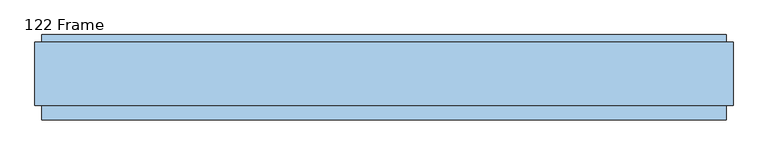
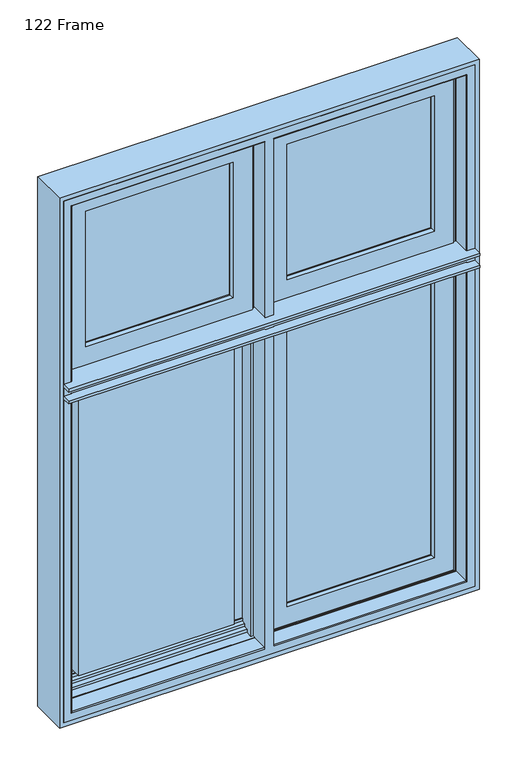
"""IFC4 building model written with IfcOpenShell, lengths in millimetres: window geometry, 122 Frame."""

from ifc_helpers import new_model, si_unit, frame, origin, place, context, project, spatial, polyline, circle_curve, ellipse_curve, outline, extrude, faceted_brep, source, transform, mapped, element, save
from ifc_brep_helpers import plane_surface, cylinder_surface, advanced_brep


def window_122_frame_a03ada84(model_context):
    return source(origin(), model_context, "Body", "SolidModel", [
        extrude(outline(polyline([(-510.0, 141.0), (-65.6, 141.0), (-65.6, 93.0), (-510.0, 93.0), (-510.0, 141.0)])), frame((0.0, 0.0, 1878.0), z_axis=(0.0, 0.0, 1.0), x_axis=(1.0, 0.0, 0.0)), (0.0, 0.0, 1.0), 432.0),
        faceted_brep([(-532.3998467, 153.0, 2332.3998467), (-532.3998467, 148.4070391, 2332.3998467), (-43.2001533, 148.4070391, 2332.3998467), (-43.2001533, 153.0, 2332.3998467), (-43.2001533, 148.4070391, 1855.2001533), (-43.2001533, 153.0, 1855.2001533), (-37.9260611, 139.5531262, 2337.6739389), (-37.9260611, 139.5531262, 1849.9260611), (-532.3998467, 153.0, 1855.2001533), (-76.3433832, 153.0, 2299.2566168), (-499.2566168, 153.0, 2299.2566168), (-499.2566168, 153.0, 1888.3433832), (-76.3433832, 153.0, 1888.3433832), (-537.6739389, 139.5531262, 2337.6739389), (-36.0866045, 139.5531262, 1848.0866045), (-539.5133955, 139.5531262, 1848.0866045), (-539.5133955, 139.5531262, 2339.5133955), (-36.0866045, 139.5531262, 2339.5133955), (-537.6739389, 139.5531262, 1849.9260611), (-539.5133955, 121.0, 2339.5133955), (-36.0866045, 121.0, 2339.5133955), (-36.0866045, 121.0, 1848.0866045), (-26.0866045, 121.0, 1838.0866045), (-549.5133955, 121.0, 1838.0866045), (-549.5133955, 121.0, 2349.5133955), (-26.0866045, 121.0, 2349.5133955), (-539.5133955, 121.0, 1848.0866045), (-549.5133955, 88.5, 2349.5133955), (-26.0866045, 88.5, 2349.5133955), (-26.0866045, 88.5, 1838.0866045), (-15.3023, 88.5, 1827.3023), (-560.2977, 88.5, 1827.3023), (-560.2977, 88.5, 2360.2977), (-15.3023, 88.5, 2360.2977), (-549.5133955, 88.5, 1838.0866045), (-560.2977, 83.5, 2360.2977), (-15.3023, 83.5, 2360.2977), (-15.3023, 83.5, 1827.3023), (-560.2977, 83.5, 1827.3023), (-22.1, 83.5, 1834.1), (-553.5, 83.5, 1834.1), (-553.5, 83.5, 2353.5), (-22.1, 83.5, 2353.5), (-553.5, 78.0, 2353.5), (-22.1, 78.0, 2353.5), (-22.1, 78.0, 1834.1), (-553.5, 78.0, 1834.1), (-77.2842184, 78.0, 1889.2842184), (-498.3157816, 78.0, 1889.2842184), (-498.3157816, 78.0, 2298.3157816), (-77.2842184, 78.0, 2298.3157816), (-510.0, 93.0, 2310.0), (-510.0, 141.0, 2310.0), (-65.6, 141.0, 2310.0), (-65.6, 93.0, 2310.0), (-65.6, 141.0, 1877.6), (-65.6, 93.0, 1877.6), (-510.0, 141.0, 1877.6), (-80.0121514, 141.0, 1892.0121514), (-495.5878486, 141.0, 1892.0121514), (-495.5878486, 141.0, 2295.5878486), (-80.0121514, 141.0, 2295.5878486), (-510.0, 93.0, 1877.6), (-79.5996933, 93.0, 2296.0003067), (-496.0003067, 93.0, 2296.0003067), (-496.0003067, 93.0, 1891.5996933), (-79.5996933, 93.0, 1891.5996933), (-532.3998467, 148.4070391, 1855.2001533), (-79.5996933, 88.8934531, 2296.0003067), (-79.5996933, 88.8934531, 1891.5996933), (-496.0003067, 88.8934531, 1891.5996933), (-496.0003067, 88.8934531, 2296.0003067)], [[[0, 1, 2, 3]], [[3, 2, 4, 5]], [[2, 6, 7, 4]], [[5, 8, 0, 3], [9, 10, 11, 12]], [[1, 13, 6, 2]], [[14, 15, 16, 17], [6, 13, 18, 7]], [[16, 19, 20, 17]], [[17, 20, 21, 14]], [[22, 23, 24, 25], [20, 19, 26, 21]], [[24, 27, 28, 25]], [[25, 28, 29, 22]], [[30, 31, 32, 33], [28, 27, 34, 29]], [[32, 35, 36, 33]], [[33, 36, 37, 30]], [[36, 35, 38, 37], [39, 40, 41, 42]], [[41, 43, 44, 42]], [[42, 44, 45, 39]], [[44, 43, 46, 45], [47, 48, 49, 50]], [[51, 52, 53, 54]], [[54, 53, 55, 56]], [[53, 52, 57, 55], [58, 59, 60, 61]], [[56, 62, 51, 54], [63, 64, 65, 66]], [[8, 67, 1, 0]], [[67, 18, 13, 1]], [[15, 26, 19, 16]], [[23, 34, 27, 24]], [[31, 38, 35, 32]], [[40, 46, 43, 41]], [[62, 57, 52, 51]], [[50, 68, 69, 47]], [[68, 63, 66, 69]], [[61, 9, 12, 58]], [[5, 4, 67, 8]], [[4, 7, 18, 67]], [[14, 21, 26, 15]], [[22, 29, 34, 23]], [[30, 37, 38, 31]], [[39, 45, 46, 40]], [[47, 69, 70, 48]], [[69, 66, 65, 70]], [[56, 55, 57, 62]], [[58, 12, 11, 59]], [[48, 70, 71, 49]], [[70, 65, 64, 71]], [[59, 11, 10, 60]], [[49, 71, 68, 50]], [[71, 64, 63, 68]], [[60, 10, 9, 61]]]),
        extrude(outline(polyline([(65.6, 141.0), (510.0, 141.0), (510.0, 93.0), (65.6, 93.0), (65.6, 141.0)])), frame((0.0, 0.0, 1877.6), z_axis=(0.0, 0.0, 1.0), x_axis=(1.0, 0.0, 0.0)), (0.0, 0.0, 1.0), 432.4),
        faceted_brep([(532.3998467, 148.4070391, 2332.3998467), (532.3998467, 153.0, 2332.3998467), (43.2001533, 153.0, 2332.3998467), (43.2001533, 148.4070391, 2332.3998467), (43.2001533, 153.0, 1855.2001533), (43.2001533, 148.4070391, 1855.2001533), (532.3998467, 153.0, 1855.2001533), (76.3433832, 153.0, 1888.3433832), (499.2566168, 153.0, 1888.3433832), (499.2566168, 153.0, 2299.2566168), (76.3433832, 153.0, 2299.2566168), (37.9260611, 139.5531262, 2337.6739389), (37.9260611, 139.5531262, 1849.9260611), (537.6739389, 139.5531262, 2337.6739389), (36.0866045, 139.5531262, 2339.5133955), (539.5133955, 139.5531262, 2339.5133955), (539.5133955, 139.5531262, 1848.0866045), (36.0866045, 139.5531262, 1848.0866045), (537.6739389, 139.5531262, 1849.9260611), (539.5133955, 121.0, 2339.5133955), (36.0866045, 121.0, 2339.5133955), (36.0866045, 121.0, 1848.0866045), (26.0866045, 121.0, 2349.5133955), (549.5133955, 121.0, 2349.5133955), (549.5133955, 121.0, 1838.0866045), (26.0866045, 121.0, 1838.0866045), (539.5133955, 121.0, 1848.0866045), (549.5133955, 88.5, 2349.5133955), (26.0866045, 88.5, 2349.5133955), (26.0866045, 88.5, 1838.0866045), (15.3023, 88.5, 2360.2977), (560.2976999, 88.5, 2360.2977), (560.2976999, 88.5, 1827.3023), (15.3023, 88.5, 1827.3023), (549.5133955, 88.5, 1838.0866045), (560.2976999, 83.5, 2360.2977), (15.3023, 83.5, 2360.2977), (15.3023, 83.5, 1827.3023), (560.2976999, 83.5, 1827.3023), (22.1, 83.5, 2353.5), (553.5, 83.5, 2353.5), (553.5, 83.5, 1834.1), (22.1, 83.5, 1834.1), (553.5, 78.0, 2353.5), (22.1, 78.0, 2353.5), (22.1, 78.0, 1834.1), (553.5, 78.0, 1834.1), (77.2842184, 78.0, 2298.3157816), (498.3157816, 78.0, 2298.3157816), (498.3157816, 78.0, 1889.2842184), (77.2842184, 78.0, 1889.2842184), (510.0, 141.0, 2310.0), (510.0, 93.0, 2310.0), (65.6, 93.0, 2310.0), (65.6, 141.0, 2310.0), (65.6, 93.0, 1877.6), (65.6, 141.0, 1877.6), (510.0, 93.0, 1877.6), (79.5996933, 93.0, 1891.5996933), (496.0003067, 93.0, 1891.5996933), (496.0003067, 93.0, 2296.0003067), (79.5996933, 93.0, 2296.0003067), (510.0, 141.0, 1877.6), (80.0121514, 141.0, 2295.5878486), (495.5878486, 141.0, 2295.5878486), (495.5878486, 141.0, 1892.0121514), (80.0121514, 141.0, 1892.0121514), (532.3998467, 148.4070391, 1855.2001533), (79.5996933, 88.8934531, 2296.0003067), (79.5996933, 88.8934531, 1891.5996933), (496.0003067, 88.8934531, 1891.5996933), (496.0003067, 88.8934531, 2296.0003067)], [[[0, 1, 2, 3]], [[3, 2, 4, 5]], [[2, 1, 6, 4], [7, 8, 9, 10]], [[11, 3, 5, 12]], [[13, 0, 3, 11]], [[14, 15, 16, 17], [12, 18, 13, 11]], [[19, 15, 14, 20]], [[20, 14, 17, 21]], [[22, 23, 24, 25], [21, 26, 19, 20]], [[27, 23, 22, 28]], [[28, 22, 25, 29]], [[30, 31, 32, 33], [29, 34, 27, 28]], [[35, 31, 30, 36]], [[36, 30, 33, 37]], [[37, 38, 35, 36], [39, 40, 41, 42]], [[43, 40, 39, 44]], [[44, 39, 42, 45]], [[45, 46, 43, 44], [47, 48, 49, 50]], [[51, 52, 53, 54]], [[54, 53, 55, 56]], [[53, 52, 57, 55], [58, 59, 60, 61]], [[56, 62, 51, 54], [63, 64, 65, 66]], [[67, 6, 1, 0]], [[18, 67, 0, 13]], [[26, 16, 15, 19]], [[34, 24, 23, 27]], [[38, 32, 31, 35]], [[46, 41, 40, 43]], [[62, 57, 52, 51]], [[68, 47, 50, 69]], [[61, 68, 69, 58]], [[10, 63, 66, 7]], [[5, 4, 6, 67]], [[12, 5, 67, 18]], [[21, 17, 16, 26]], [[29, 25, 24, 34]], [[37, 33, 32, 38]], [[45, 42, 41, 46]], [[69, 50, 49, 70]], [[58, 69, 70, 59]], [[56, 55, 57, 62]], [[7, 66, 65, 8]], [[70, 49, 48, 71]], [[59, 70, 71, 60]], [[8, 65, 64, 9]], [[71, 48, 47, 68]], [[60, 71, 68, 61]], [[9, 64, 63, 10]]]),
        advanced_brep(
        [(-564.0, 35.0, 836.0), (-564.0, 83.0, 836.0), (-564.0, 83.0, 1789.9000002), (-564.0, 35.0, 1789.9000002), (-564.0, 83.0, 2364.0), (-564.0, 35.0, 2364.0), (-564.0, 35.0, 1834.0999998), (-564.0, 83.0, 1834.0999998), (-564.0, 35.0, 1800.0), (-564.0, 35.0, 1798.0), (-564.0, 83.0, 1798.0), (-564.0, 83.0, 1800.0), (-564.0, 35.0, 1826.0), (-564.0, 35.0, 1824.0), (-564.0, 83.0, 1824.0), (-564.0, 83.0, 1826.0), (-12.0, 35.0, 836.0), (-12.0, 83.0, 836.0), (564.0, 35.0, 836.0), (564.0, 83.0, 836.0), (12.0, 83.0, 836.0), (12.0, 35.0, 836.0), (-12.0, 83.0, 838.0), (-562.0, 83.0, 838.0), (-562.0, 83.0, 1789.9000002), (562.0, 83.0, 838.0), (12.0, 83.0, 838.0), (564.0, 83.0, 1789.9000002), (562.0, 83.0, 1789.9000002), (-12.0, 83.0, 2364.0), (-562.0, 83.0, 1834.0999998), (-562.0, 83.0, 2362.0), (-12.0, 83.0, 2362.0), (564.0, 83.0, 2364.0), (12.0, 83.0, 2364.0), (12.0, 83.0, 2362.0), (562.0, 83.0, 2362.0), (562.0, 83.0, 1834.0999998), (564.0, 83.0, 1834.0999998), (-12.0, 83.0, 1798.0), (-12.0, 83.0, 1800.0), (-12.0, 83.0, 1824.0), (-12.0, 83.0, 1826.0), (564.0, 83.0, 1798.0), (564.0, 83.0, 1800.0), (12.0, 83.0, 1800.0), (12.0, 83.0, 1798.0), (564.0, 83.0, 1824.0), (564.0, 83.0, 1826.0), (12.0, 83.0, 1826.0), (12.0, 83.0, 1824.0), (-567.0, 32.0, 833.0), (-567.0, 32.0, 1789.9000002), (-567.0, 32.0, 2367.0), (-567.0, 32.0, 1834.0999998), (-567.0, 32.0, 1800.0), (-567.0, 32.0, 1798.0), (-567.0, 32.0, 1826.0), (-567.0, 32.0, 1824.0), (-562.0, 111.4, 838.0), (-562.0, 111.4, 1789.9000002), (-562.0, 111.4, 2362.0), (-562.0, 111.4, 1834.0999998), (-12.0, 91.0, 838.0), (-20.2, 91.0, 838.0), (-17.695195, 111.4, 838.0), (562.0, 111.4, 838.0), (17.695195, 111.4, 838.0), (20.2, 91.0, 838.0), (12.0, 91.0, 838.0), (-17.695195, 111.4, 846.0999998), (-553.9000002, 111.4, 846.0999998), (-553.9000002, 111.4, 1789.9000002), (553.9000002, 111.4, 846.0999998), (17.695195, 111.4, 846.0999998), (562.0, 111.4, 1789.9000002), (553.9000002, 111.4, 1789.9000002), (-17.695195, 111.4, 2362.0), (-553.9000002, 111.4, 1834.0999998), (-553.9000002, 111.4, 2353.9000002), (-17.695195, 111.4, 2353.9000002), (562.0, 111.4, 2362.0), (17.695195, 111.4, 2362.0), (17.695195, 111.4, 2353.9000002), (553.9000002, 111.4, 2353.9000002), (553.9000002, 111.4, 1834.0999998), (562.0, 111.4, 1834.0999998), (-553.9000002, 126.0, 846.0999998), (-553.9000002, 126.0, 1789.9000002), (-553.9000002, 126.0, 1834.0999998), (-553.9000002, 126.0, 2353.9000002), (-15.9025404, 126.0, 846.0999998), (553.9000002, 126.0, 846.0999998), (15.9025404, 126.0, 846.0999998), (-15.9025404, 126.0, 853.2798057), (-546.7201943, 126.0, 853.2798057), (-546.7201943, 126.0, 1780.4), (-15.9025404, 126.0, 1780.4), (-15.9025404, 126.0, 1789.9000002), (546.7201943, 126.0, 853.2798057), (15.9025404, 126.0, 853.2798057), (553.9000002, 126.0, 1789.9000002), (15.9025404, 126.0, 1789.9000002), (15.9025404, 126.0, 1780.4), (546.7201943, 126.0, 1780.4), (-15.9025404, 126.0, 2353.9000002), (-15.9025404, 126.0, 1834.0999998), (-15.9025404, 126.0, 1843.6), (-546.7201943, 126.0, 1843.6), (-546.7201943, 126.0, 2346.7201943), (-15.9025404, 126.0, 2346.7201943), (553.9000002, 126.0, 2353.9000002), (15.9025404, 126.0, 2353.9000002), (15.9025404, 126.0, 2346.7201943), (546.7201943, 126.0, 2346.7201943), (546.7201943, 126.0, 1843.6), (15.9025404, 126.0, 1843.6), (15.9025404, 126.0, 1834.0999998), (553.9000002, 126.0, 1834.0999998), (-546.7201943, 140.2372876, 853.2798057), (-546.7201943, 140.2372876, 1780.4), (-546.7201943, 140.2372876, 2346.7201943), (-546.7201943, 140.2372876, 1843.6), (-14.1544213, 140.2372876, 853.2798057), (546.7201943, 140.2372876, 853.2798057), (14.1544213, 140.2372876, 853.2798057), (-14.1544213, 140.2372876, 861.9868914), (-538.0131086, 140.2372876, 861.9868914), (-538.0131086, 140.2372876, 1780.4), (538.0131086, 140.2372876, 861.9868914), (14.1544213, 140.2372876, 861.9868914), (546.7201943, 140.2372876, 1780.4), (538.0131086, 140.2372876, 1780.4), (-14.1544213, 140.2372876, 2346.7201943), (-538.0131086, 140.2372876, 1843.6), (-538.0131086, 140.2372876, 2338.0131086), (-14.1544213, 140.2372876, 2338.0131086), (546.7201943, 140.2372876, 2346.7201943), (14.1544213, 140.2372876, 2346.7201943), (14.1544213, 140.2372876, 2338.0131086), (538.0131086, 140.2372876, 2338.0131086), (538.0131086, 140.2372876, 1843.6), (546.7201943, 140.2372876, 1843.6), (-538.0131086, 143.3877115, 861.9868914), (-538.0131086, 143.3877115, 1774.0131086), (-538.0131086, 141.0, 1774.0131086), (-538.0131086, 141.0, 1780.4), (-538.0131086, 143.3877115, 2338.0131086), (-538.0131086, 141.0, 1843.6), (-538.0131086, 141.0, 1849.9868914), (-538.0131086, 143.3877115, 1849.9868914), (-13.9379874, 142.0, 861.9868914), (-38.4111574, 142.0, 861.9868914), (-37.9868914, 143.3877115, 861.9868914), (538.0131086, 143.3877115, 861.9868914), (37.9868914, 143.3877115, 861.9868914), (38.4111574, 142.0, 861.9868914), (13.9379874, 142.0, 861.9868914), (-541.2576108, 154.0, 858.7423892), (-541.2576108, 154.0, 1777.2576108), (-541.2576108, 154.0, 2341.2576108), (-541.2576108, 154.0, 1846.7423892), (-34.7423892, 154.0, 858.7423892), (541.2576108, 154.0, 858.7423892), (34.7423892, 154.0, 858.7423892), (588.0, 154.0, 2388.0), (588.0, 154.0, 812.0), (-588.0, 154.0, 812.0), (-588.0, 154.0, 2388.0), (-34.7423892, 154.0, 1777.2576108), (541.2576108, 154.0, 1777.2576108), (34.7423892, 154.0, 1777.2576108), (-34.7423892, 154.0, 1846.7423892), (-34.7423892, 154.0, 2341.2576108), (34.7423892, 154.0, 2341.2576108), (34.7423892, 154.0, 1846.7423892), (541.2576108, 154.0, 1846.7423892), (541.2576108, 154.0, 2341.2576108), (-588.0, 7.4, 1826.0), (-588.0, 7.4, 1834.0999998), (-588.0, 32.0, 1834.0999998), (-588.0, 32.0, 2388.0), (-588.0, 86.5, 2388.0), (-588.0, 86.5, 1834.0999998), (-588.0, 90.5, 1834.0999998), (-588.0, 90.5, 2388.0), (-588.0, 90.5, 812.0), (-588.0, 90.5, 1789.9000002), (-588.0, 86.5, 1789.9000002), (-588.0, 86.5, 812.0), (-588.0, 32.0, 812.0), (-588.0, 32.0, 1789.9000002), (-588.0, 7.4, 1789.9000002), (-588.0, 7.4, 1798.0), (-588.0, 32.0, 1798.0), (-588.0, 32.0, 1826.0), (588.0, 90.5, 812.0), (12.0, 90.5, 812.0), (12.0, 86.5, 812.0), (588.0, 86.5, 812.0), (588.0, 32.0, 812.0), (-12.0, 86.5, 812.0), (-12.0, 90.5, 812.0), (-12.0, 90.5, 819.0), (-581.0, 90.5, 819.0), (-581.0, 90.5, 1789.9000002), (581.0, 90.5, 819.0), (12.0, 90.5, 819.0), (588.0, 90.5, 1789.9000002), (581.0, 90.5, 1789.9000002), (-12.0, 90.5, 2388.0), (-581.0, 90.5, 1834.0999998), (-581.0, 90.5, 2381.0), (-12.0, 90.5, 2381.0), (588.0, 90.5, 2388.0), (12.0, 90.5, 2388.0), (12.0, 90.5, 2381.0), (581.0, 90.5, 2381.0), (581.0, 90.5, 1834.0999998), (588.0, 90.5, 1834.0999998), (12.0, 86.5, 819.0), (581.0, 86.5, 819.0), (581.0, 86.5, 1789.9000002), (588.0, 86.5, 1789.9000002), (-581.0, 86.5, 1789.9000002), (-581.0, 86.5, 819.0), (-12.0, 86.5, 819.0), (-12.0, 86.5, 2381.0), (-581.0, 86.5, 2381.0), (-581.0, 86.5, 1834.0999998), (-12.0, 86.5, 2388.0), (581.0, 86.5, 2381.0), (12.0, 86.5, 2381.0), (12.0, 86.5, 2388.0), (588.0, 86.5, 2388.0), (588.0, 86.5, 1834.0999998), (581.0, 86.5, 1834.0999998), (-12.0, 32.0, 833.0), (588.0, 32.0, 1789.9000002), (567.0, 32.0, 1789.9000002), (567.0, 32.0, 833.0), (12.0, 32.0, 833.0), (12.0, 32.0, 1789.9000002), (-12.0, 32.0, 1789.9000002), (-12.0, 32.0, 2367.0), (-12.0, 32.0, 1834.0999998), (12.0, 32.0, 1834.0999998), (12.0, 32.0, 2367.0), (567.0, 32.0, 2367.0), (567.0, 32.0, 1834.0999998), (588.0, 32.0, 1834.0999998), (588.0, 32.0, 2388.0), (-12.0, 32.0, 1800.0), (-12.0, 32.0, 1798.0), (12.0, 32.0, 1798.0), (12.0, 32.0, 1800.0), (567.0, 32.0, 1800.0), (567.0, 32.0, 1798.0), (588.0, 32.0, 1798.0), (588.0, 32.0, 1826.0), (567.0, 32.0, 1826.0), (567.0, 32.0, 1824.0), (12.0, 32.0, 1824.0), (12.0, 32.0, 1826.0), (-12.0, 32.0, 1826.0), (-12.0, 32.0, 1824.0), (-12.0, 91.0, 1789.9000002), (-12.0, 35.0, 2364.0), (-12.0, 91.0, 2362.0), (-12.0, 91.0, 1834.0999998), (564.0, 35.0, 1789.9000002), (564.0, 35.0, 2364.0), (564.0, 35.0, 1834.0999998), (564.0, 35.0, 1798.0), (564.0, 35.0, 1800.0), (564.0, 35.0, 1824.0), (564.0, 35.0, 1826.0), (12.0, 91.0, 1789.9000002), (12.0, 35.0, 2364.0), (12.0, 91.0, 1834.0999998), (12.0, 91.0, 2362.0), (-20.2, 91.0, 1789.9000002), (-20.2, 91.0, 2362.0), (-20.2, 91.0, 1834.0999998), (-14.060772, 141.0, 1780.4), (-14.060772, 141.0, 1774.0131086), (-13.9379874, 142.0, 1774.0131086), (-13.9379874, 142.0, 2338.0131086), (-13.9379874, 142.0, 1849.9868914), (-14.060772, 141.0, 1849.9868914), (-14.060772, 141.0, 1843.6), (13.9379874, 142.0, 1774.0131086), (14.060772, 141.0, 1774.0131086), (14.060772, 141.0, 1780.4), (20.2, 91.0, 1789.9000002), (20.2, 91.0, 2362.0), (20.2, 91.0, 1834.0999998), (14.060772, 141.0, 1843.6), (14.060772, 141.0, 1849.9868914), (13.9379874, 142.0, 1849.9868914), (13.9379874, 142.0, 2338.0131086), (-38.4111574, 142.0, 1774.0131086), (-38.4111574, 142.0, 2338.0131086), (-38.4111574, 142.0, 1849.9868914), (-37.9868914, 143.3877115, 1774.0131086), (-37.9868914, 143.3877115, 2338.0131086), (-37.9868914, 143.3877115, 1849.9868914), (538.0131086, 141.0, 1780.4), (538.0131086, 141.0, 1774.0131086), (538.0131086, 143.3877115, 1774.0131086), (538.0131086, 143.3877115, 2338.0131086), (538.0131086, 143.3877115, 1849.9868914), (538.0131086, 141.0, 1849.9868914), (538.0131086, 141.0, 1843.6), (37.9868914, 143.3877115, 1774.0131086), (38.4111574, 142.0, 1774.0131086), (37.9868914, 143.3877115, 2338.0131086), (38.4111574, 142.0, 2338.0131086), (38.4111574, 142.0, 1849.9868914), (37.9868914, 143.3877115, 1849.9868914), (588.0, 7.4, 1798.0), (588.0, 7.4, 1789.9000002), (588.0, 7.4, 1834.0999998), (588.0, 7.4, 1826.0)],
        [
            (0, 1),
            (1, 2),
            (2, 3),
            (3, 0),
            (4, 5),
            (5, 6),
            (6, 7),
            (7, 4),
            (8, 9),
            (9, 10),
            (10, 11),
            (11, 8),
            (12, 13),
            (13, 14),
            (14, 15),
            (15, 12),
            (0, 16),
            (16, 17),
            (17, 1),
            (18, 19),
            (19, 20),
            (20, 21),
            (21, 18),
            (22, 23),
            (23, 24),
            (24, 2),
            (17, 22),
            (25, 26),
            (26, 20),
            (19, 27),
            (27, 28),
            (28, 25),
            (29, 4),
            (7, 30),
            (30, 31),
            (31, 32),
            (32, 29),
            (33, 34),
            (34, 35),
            (35, 36),
            (36, 37),
            (37, 38),
            (38, 33),
            (10, 39),
            (39, 40),
            (40, 11),
            (14, 41),
            (41, 42),
            (42, 15),
            (43, 44),
            (44, 45),
            (45, 46),
            (46, 43),
            (47, 48),
            (48, 49),
            (49, 50),
            (50, 47),
            (51, 0, ellipse_curve(frame((-567.0, 35.0, 833.0), z_axis=(-0.7071067811865475, 0.0, 0.7071067811865475), x_axis=(0.7071067811865474, 0.0, 0.7071067811865476)), 4.2426407, 3.0)),
            (3, 52, circle_curve(frame((-567.0, 35.0, 1789.9000002), z_axis=(0.0, 0.0, -1.0), x_axis=(0.0, 1.0, 0.0)), 3.0)),
            (52, 51),
            (5, 53, ellipse_curve(frame((-567.0, 35.0, 2367.0), z_axis=(-0.7071067811865475, 0.0, -0.7071067811865475), x_axis=(-0.7071067811865474, 0.0, 0.7071067811865476)), 4.2426407, 3.0)),
            (53, 54),
            (54, 6, circle_curve(frame((-567.0, 35.0, 1834.0999998), z_axis=(0.0, 0.0, 1.0), x_axis=(0.0, 1.0, 0.0)), 3.0)),
            (8, 55, circle_curve(frame((-567.0, 35.0, 1800.0), z_axis=(0.0, 0.0, -1.0), x_axis=(0.0, 1.0, 0.0)), 3.0)),
            (55, 56),
            (56, 9, circle_curve(frame((-567.0, 35.0, 1798.0), z_axis=(0.0, 0.0, 1.0), x_axis=(0.0, 1.0, 0.0)), 3.0)),
            (12, 57, circle_curve(frame((-567.0, 35.0, 1826.0), z_axis=(0.0, 0.0, -1.0), x_axis=(0.0, 1.0, 0.0)), 3.0)),
            (57, 58),
            (58, 13, circle_curve(frame((-567.0, 35.0, 1824.0), z_axis=(0.0, 0.0, 1.0), x_axis=(0.0, 1.0, 0.0)), 3.0)),
            (23, 59),
            (59, 60),
            (60, 24),
            (61, 31),
            (30, 62),
            (62, 61),
            (22, 63),
            (63, 64),
            (64, 65),
            (65, 59),
            (25, 66),
            (66, 67),
            (67, 68),
            (68, 69),
            (69, 26),
            (70, 71),
            (71, 72),
            (72, 60),
            (65, 70),
            (73, 74),
            (74, 67),
            (66, 75),
            (75, 76),
            (76, 73),
            (77, 61),
            (62, 78),
            (78, 79),
            (79, 80),
            (80, 77),
            (81, 82),
            (82, 83),
            (83, 84),
            (84, 85),
            (85, 86),
            (86, 81),
            (71, 87),
            (87, 88),
            (88, 72),
            (89, 90),
            (90, 79),
            (78, 89),
            (70, 91),
            (91, 87),
            (73, 92),
            (92, 93),
            (93, 74),
            (94, 95),
            (95, 96),
            (96, 97),
            (97, 98),
            (98, 88),
            (91, 94),
            (99, 100),
            (100, 93),
            (92, 101),
            (101, 102),
            (102, 103),
            (103, 104),
            (104, 99),
            (105, 90),
            (89, 106),
            (106, 107),
            (107, 108),
            (108, 109),
            (109, 110),
            (110, 105),
            (111, 112),
            (112, 113),
            (113, 114),
            (114, 115),
            (115, 116),
            (116, 117),
            (117, 118),
            (118, 111),
            (95, 119),
            (119, 120),
            (120, 96),
            (121, 109),
            (108, 122),
            (122, 121),
            (94, 123),
            (123, 119),
            (99, 124),
            (124, 125),
            (125, 100),
            (126, 127),
            (127, 128),
            (128, 120),
            (123, 126),
            (129, 130),
            (130, 125),
            (124, 131),
            (131, 132),
            (132, 129),
            (133, 121),
            (122, 134),
            (134, 135),
            (135, 136),
            (136, 133),
            (137, 138),
            (138, 139),
            (139, 140),
            (140, 141),
            (141, 142),
            (142, 137),
            (127, 143),
            (143, 144),
            (144, 145),
            (145, 146),
            (146, 128),
            (147, 135),
            (134, 148),
            (148, 149),
            (149, 150),
            (150, 147),
            (126, 151),
            (151, 152),
            (152, 153),
            (153, 143),
            (129, 154),
            (154, 155),
            (155, 156),
            (156, 157),
            (157, 130),
            (143, 158),
            (158, 159),
            (159, 144),
            (160, 147),
            (150, 161),
            (161, 160),
            (153, 162),
            (162, 158),
            (154, 163),
            (163, 164),
            (164, 155),
            (165, 166),
            (166, 167),
            (167, 168),
            (168, 165),
            (162, 169),
            (169, 159),
            (163, 170),
            (170, 171),
            (171, 164),
            (161, 172),
            (172, 173),
            (173, 160),
            (174, 175),
            (175, 176),
            (176, 177),
            (177, 174),
            (178, 179),
            (179, 180),
            (180, 181),
            (181, 182),
            (182, 183),
            (183, 184),
            (184, 185),
            (185, 168),
            (167, 186),
            (186, 187),
            (187, 188),
            (188, 189),
            (189, 190),
            (190, 191),
            (191, 192),
            (192, 193),
            (193, 194),
            (194, 195),
            (195, 178),
            (166, 196),
            (196, 197),
            (197, 198),
            (198, 199),
            (199, 200),
            (200, 190),
            (189, 201),
            (201, 202),
            (202, 186),
            (203, 204),
            (204, 205),
            (205, 187),
            (202, 203),
            (206, 207),
            (207, 197),
            (196, 208),
            (208, 209),
            (209, 206),
            (210, 185),
            (184, 211),
            (211, 212),
            (212, 213),
            (213, 210),
            (214, 215),
            (215, 216),
            (216, 217),
            (217, 218),
            (218, 219),
            (219, 214),
            (198, 220),
            (220, 221),
            (221, 222),
            (222, 223),
            (223, 199),
            (188, 224),
            (224, 225),
            (225, 226),
            (226, 201),
            (227, 228),
            (228, 229),
            (229, 183),
            (182, 230),
            (230, 227),
            (231, 232),
            (232, 233),
            (233, 234),
            (234, 235),
            (235, 236),
            (236, 231),
            (237, 51),
            (52, 191),
            (200, 238),
            (238, 239),
            (239, 240),
            (240, 241),
            (241, 242),
            (242, 243),
            (243, 237),
            (53, 244),
            (244, 245),
            (245, 246),
            (246, 247),
            (247, 248),
            (248, 249),
            (249, 250),
            (250, 251),
            (251, 181),
            (180, 54),
            (55, 252),
            (252, 253),
            (253, 254),
            (254, 255),
            (255, 256),
            (256, 257),
            (257, 258),
            (258, 259),
            (259, 260),
            (260, 261),
            (261, 262),
            (262, 263),
            (263, 264),
            (264, 265),
            (265, 58),
            (57, 195),
            (194, 56),
            (237, 16, circle_curve(frame((-12.0, 35.0, 833.0), z_axis=(-1.0, 0.0, 0.0), x_axis=(0.0, 1.0, 0.0)), 3.0)),
            (240, 18, ellipse_curve(frame((567.0, 35.0, 833.0), z_axis=(-0.7071067811865475, 0.0, -0.7071067811865475), x_axis=(-0.7071067811865476, 0.0, 0.7071067811865474)), 4.2426407, 3.0)),
            (21, 241, circle_curve(frame((12.0, 35.0, 833.0), z_axis=(1.0, 0.0, 0.0), x_axis=(0.0, 1.0, 0.0)), 3.0)),
            (243, 266),
            (266, 63),
            (226, 203),
            (267, 29),
            (32, 268),
            (268, 269),
            (269, 245),
            (244, 267, circle_curve(frame((-12.0, 35.0, 2367.0), z_axis=(1.0, 0.0, 0.0), x_axis=(0.0, 1.0, 0.0)), 3.0)),
            (230, 210),
            (213, 227),
            (252, 40),
            (39, 253),
            (264, 42),
            (41, 265),
            (18, 270),
            (270, 27),
            (271, 33),
            (38, 272),
            (272, 271),
            (273, 274),
            (274, 44),
            (43, 273),
            (275, 276),
            (276, 48),
            (47, 275),
            (69, 277),
            (277, 242),
            (207, 220),
            (34, 278),
            (278, 247, circle_curve(frame((12.0, 35.0, 2367.0), z_axis=(-1.0, 0.0, 0.0), x_axis=(0.0, 1.0, 0.0)), 3.0)),
            (246, 279),
            (279, 280),
            (280, 35),
            (215, 233),
            (232, 216),
            (254, 46),
            (45, 255),
            (262, 50),
            (49, 263),
            (266, 281),
            (281, 64),
            (268, 282),
            (282, 283),
            (283, 269),
            (281, 98),
            (97, 284),
            (284, 285),
            (285, 286),
            (286, 151),
            (282, 77),
            (80, 105),
            (110, 133),
            (136, 287),
            (287, 288),
            (288, 289),
            (289, 290),
            (290, 107),
            (106, 283),
            (28, 75),
            (36, 81),
            (86, 37),
            (157, 291),
            (291, 292),
            (292, 293),
            (293, 103),
            (102, 294),
            (294, 68),
            (82, 295),
            (295, 296),
            (296, 117),
            (116, 297),
            (297, 298),
            (298, 299),
            (299, 300),
            (300, 139),
            (138, 113),
            (112, 83),
            (294, 277),
            (295, 280),
            (279, 296),
            (76, 101),
            (84, 111),
            (118, 85),
            (104, 131),
            (114, 137),
            (142, 115),
            (286, 301),
            (301, 152),
            (287, 302),
            (302, 303),
            (303, 288),
            (301, 304),
            (304, 169),
            (302, 305),
            (305, 173),
            (172, 306),
            (306, 303),
            (132, 307),
            (307, 308),
            (308, 309),
            (309, 154),
            (140, 310),
            (310, 311),
            (311, 312),
            (312, 313),
            (313, 141),
            (171, 314),
            (314, 315),
            (315, 156),
            (316, 317),
            (317, 318),
            (318, 319),
            (319, 175),
            (174, 316),
            (315, 291),
            (317, 300),
            (299, 318),
            (309, 170),
            (310, 177),
            (176, 311),
            (320, 321),
            (321, 238),
            (223, 208),
            (165, 214),
            (219, 235),
            (234, 251),
            (250, 322),
            (322, 323),
            (323, 259),
            (258, 320),
            (239, 270, circle_curve(frame((567.0, 35.0, 1789.9000002), z_axis=(0.0, 0.0, -1.0), x_axis=(0.0, 1.0, 0.0)), 3.0)),
            (248, 271, ellipse_curve(frame((567.0, 35.0, 2367.0), z_axis=(0.7071067811865475, 0.0, -0.7071067811865475), x_axis=(-0.7071067811865474, 0.0, -0.7071067811865476)), 4.2426407, 3.0)),
            (272, 249, circle_curve(frame((567.0, 35.0, 1834.0999998), z_axis=(0.0, 0.0, 1.0), x_axis=(0.0, 1.0, 0.0)), 3.0)),
            (273, 257, circle_curve(frame((567.0, 35.0, 1798.0), z_axis=(0.0, 0.0, 1.0), x_axis=(0.0, 1.0, 0.0)), 3.0)),
            (256, 274, circle_curve(frame((567.0, 35.0, 1800.0), z_axis=(0.0, 0.0, -1.0), x_axis=(0.0, 1.0, 0.0)), 3.0)),
            (275, 261, circle_curve(frame((567.0, 35.0, 1824.0), z_axis=(0.0, 0.0, 1.0), x_axis=(0.0, 1.0, 0.0)), 3.0)),
            (260, 276, circle_curve(frame((567.0, 35.0, 1826.0), z_axis=(0.0, 0.0, -1.0), x_axis=(0.0, 1.0, 0.0)), 3.0)),
            (204, 225),
            (224, 205),
            (228, 212),
            (211, 229),
            (206, 221),
            (209, 222),
            (217, 231),
            (236, 218),
            (267, 5),
            (271, 278),
            (147, 305),
            (316, 310),
            (304, 144),
            (309, 314),
            (308, 292),
            (285, 145),
            (284, 146),
            (307, 293),
            (321, 192),
            (193, 320),
            (323, 178),
            (179, 322),
            (290, 148),
            (313, 297),
            (289, 149),
            (312, 298),
            (306, 150),
            (311, 319),
        ],
        [
            plane_surface(frame((-564.0, 35.0, 2364.0), z_axis=(1.0, 0.0, 0.0), x_axis=(0.0, 0.0, -1.0))),
            plane_surface(frame((-564.0, 35.0, 836.0), z_axis=(0.0, 0.0, 1.0), x_axis=(1.0, 0.0, 0.0))),
            plane_surface(frame((564.0, 83.0, 2364.0), z_axis=(0.0, -1.0, 0.0), x_axis=(-1.0, 0.0, 0.0))),
            cylinder_surface(frame((-567.0, 35.0, 2388.0), z_axis=(0.0, 0.0, 1.0), x_axis=(0.0, 1.0, 0.0)), 3.0),
            plane_surface(frame((-562.0, 83.0, 2362.0), z_axis=(1.0, 0.0, 0.0), x_axis=(0.0, 0.0, -1.0))),
            plane_surface(frame((-562.0, 83.0, 838.0), z_axis=(0.0, 0.0, 1.0), x_axis=(1.0, 0.0, 0.0))),
            plane_surface(frame((562.0, 111.4, 2362.0), z_axis=(0.0, -1.0, 0.0), x_axis=(-1.0, 0.0, 0.0))),
            plane_surface(frame((-553.9000002, 111.4, 2353.9000002), z_axis=(1.0, 0.0, 0.0), x_axis=(0.0, 0.0, -1.0))),
            plane_surface(frame((-553.9000002, 111.4, 846.0999998), z_axis=(0.0, 0.0, 1.0), x_axis=(1.0, 0.0, 0.0))),
            plane_surface(frame((553.9000002, 126.0, 2353.9000002), z_axis=(0.0, -1.0, 0.0), x_axis=(-1.0, 0.0, 0.0))),
            plane_surface(frame((-546.7201943, 126.0, 2346.7201943), z_axis=(1.0, 0.0, 0.0), x_axis=(0.0, 0.0, -1.0))),
            plane_surface(frame((-546.7201943, 126.0, 853.2798057), z_axis=(0.0, 0.0, 1.0), x_axis=(1.0, 0.0, 0.0))),
            plane_surface(frame((546.7201943, 140.2372876, 2346.7201943), z_axis=(0.0, -1.0, 0.0), x_axis=(-1.0, 0.0, 0.0))),
            plane_surface(frame((-538.0131086, 140.2372876, 2338.0131086), z_axis=(1.0, 0.0, 0.0), x_axis=(0.0, 0.0, -1.0))),
            plane_surface(frame((-538.0131086, 140.2372876, 861.9868914), z_axis=(0.0, 0.0, 1.0), x_axis=(1.0, 0.0, 0.0))),
            plane_surface(frame((-538.0131086, 143.3877115, 2338.0131086), z_axis=(0.9563047559629358, 0.29237170472306273, 0.0), x_axis=(0.0, 0.0, -1.0))),
            plane_surface(frame((-538.0131086, 143.3877115, 861.9868914), z_axis=(0.0, 0.29237170472306273, 0.9563047559629358), x_axis=(1.0, 0.0, 0.0))),
            plane_surface(frame((541.2576108, 154.0, 2341.2576108), z_axis=(0.0, 1.0, 0.0), x_axis=(-1.0, 0.0, 0.0))),
            plane_surface(frame((-588.0, 154.0, 2388.0), z_axis=(-1.0, 0.0, 0.0), x_axis=(0.0, 0.0, -1.0))),
            plane_surface(frame((-588.0, 154.0, 812.0), z_axis=(0.0, 0.0, -1.0), x_axis=(1.0, 0.0, 0.0))),
            plane_surface(frame((588.0, 90.5, 2388.0), z_axis=(0.0, -1.0, 0.0), x_axis=(-1.0, 0.0, 0.0))),
            plane_surface(frame((581.0, 86.5, 2381.0), z_axis=(0.0, 1.0, 0.0), x_axis=(-1.0, 0.0, 0.0))),
            plane_surface(frame((588.0, 32.0, 2388.0), z_axis=(0.0, -1.0, 0.0), x_axis=(-1.0, 0.0, 0.0))),
            cylinder_surface(frame((-588.0, 35.0, 833.0), z_axis=(-1.0, 0.0, 0.0), x_axis=(0.0, 1.0, 0.0)), 3.0),
            plane_surface(frame((-12.0, 91.0, 2388.0), z_axis=(-1.0, 0.0, 0.0), x_axis=(0.0, 0.0, -1.0))),
            plane_surface(frame((564.0, 35.0, 836.0), z_axis=(-1.0, 0.0, 0.0), x_axis=(0.0, 0.0, 1.0))),
            plane_surface(frame((12.0, 32.0, 2388.0), z_axis=(1.0, 0.0, 0.0), x_axis=(0.0, 0.0, -1.0))),
            plane_surface(frame((-20.2, 91.0, 2388.0), z_axis=(0.0, -1.0, 0.0), x_axis=(0.0, 0.0, -1.0))),
            plane_surface(frame((-13.9379874, 142.0, 2388.0), z_axis=(-0.9925461516413188, 0.12186934340517401, 0.0), x_axis=(0.0, 0.0, -1.0))),
            plane_surface(frame((562.0, 83.0, 838.0), z_axis=(-1.0, 0.0, 0.0), x_axis=(0.0, 0.0, 1.0))),
            plane_surface(frame((20.2, 91.0, 2388.0), z_axis=(0.9925461516413152, 0.12186934340520379, 0.0), x_axis=(0.0, 0.0, -1.0))),
            plane_surface(frame((12.0, 91.0, 2388.0), z_axis=(0.0, -1.0, 0.0), x_axis=(0.0, 0.0, -1.0))),
            plane_surface(frame((553.9000002, 111.4, 846.0999998), z_axis=(-1.0, 0.0, 0.0), x_axis=(0.0, 0.0, 1.0))),
            plane_surface(frame((546.7201943, 126.0, 853.2798057), z_axis=(-1.0, 0.0, 0.0), x_axis=(0.0, 0.0, 1.0))),
            plane_surface(frame((-38.4111574, 142.0, 2388.0), z_axis=(0.0, -1.0, 0.0), x_axis=(0.0, 0.0, -1.0))),
            plane_surface(frame((-34.7423892, 154.0, 2388.0), z_axis=(-0.9563047559630359, 0.2923717047227355, 0.0), x_axis=(0.0, 0.0, -1.0))),
            plane_surface(frame((538.0131086, 140.2372876, 861.9868914), z_axis=(-1.0, 0.0, 0.0), x_axis=(0.0, 0.0, 1.0))),
            plane_surface(frame((38.4111574, 142.0, 2388.0), z_axis=(0.956304755963034, 0.2923717047227417, 0.0), x_axis=(0.0, 0.0, -1.0))),
            plane_surface(frame((13.9379874, 142.0, 2388.0), z_axis=(0.0, -1.0, 0.0), x_axis=(0.0, 0.0, -1.0))),
            plane_surface(frame((538.0131086, 143.3877115, 861.9868914), z_axis=(-0.9563047559629358, 0.29237170472306273, 0.0), x_axis=(0.0, 0.0, 1.0))),
            plane_surface(frame((588.0, 154.0, 812.0), z_axis=(1.0, 0.0, 0.0), x_axis=(0.0, 0.0, 1.0))),
            cylinder_surface(frame((567.0, 35.0, 812.0), z_axis=(0.0, 0.0, -1.0), x_axis=(0.0, 1.0, 0.0)), 3.0),
            plane_surface(frame((-581.0, 90.5, 2381.0), z_axis=(-1.0, 0.0, 0.0), x_axis=(0.0, 0.0, -1.0))),
            plane_surface(frame((-581.0, 90.5, 819.0), z_axis=(0.0, 0.0, -1.0), x_axis=(1.0, 0.0, 0.0))),
            plane_surface(frame((581.0, 90.5, 819.0), z_axis=(1.0, 0.0, 0.0), x_axis=(0.0, 0.0, 1.0))),
            plane_surface(frame((564.0, 35.0, 2364.0), z_axis=(0.0, 0.0, -1.0), x_axis=(-1.0, 0.0, 0.0))),
            plane_surface(frame((562.0, 83.0, 2362.0), z_axis=(0.0, 0.0, -1.0), x_axis=(-1.0, 0.0, 0.0))),
            plane_surface(frame((553.9000002, 111.4, 2353.9000002), z_axis=(0.0, 0.0, -1.0), x_axis=(-1.0, 0.0, 0.0))),
            plane_surface(frame((546.7201943, 126.0, 2346.7201943), z_axis=(0.0, 0.0, -1.0), x_axis=(-1.0, 0.0, 0.0))),
            plane_surface(frame((538.0131086, 140.2372876, 2338.0131086), z_axis=(0.0, 0.0, -1.0), x_axis=(-1.0, 0.0, 0.0))),
            plane_surface(frame((538.0131086, 143.3877115, 2338.0131086), z_axis=(0.0, 0.29237170472306273, -0.9563047559629358), x_axis=(-1.0, 0.0, 0.0))),
            plane_surface(frame((588.0, 154.0, 2388.0), z_axis=(0.0, 0.0, 1.0), x_axis=(-1.0, 0.0, 0.0))),
            cylinder_surface(frame((588.0, 35.0, 2367.0), z_axis=(1.0, 0.0, 0.0), x_axis=(0.0, 1.0, 0.0)), 3.0),
            plane_surface(frame((581.0, 90.5, 2381.0), z_axis=(0.0, 0.0, 1.0), x_axis=(-1.0, 0.0, 0.0))),
            plane_surface(frame((-588.0, 154.0, 1777.2576108), z_axis=(0.0, 0.29237170472164115, -0.9563047559633705), x_axis=(1.0, 0.0, 0.0))),
            plane_surface(frame((-588.0, 143.3877115, 1774.0131086), z_axis=(0.0, 0.0, -1.0), x_axis=(1.0, 0.0, 0.0))),
            plane_surface(frame((-588.0, 141.0, 1774.0131086), z_axis=(0.0, -1.0, 0.0), x_axis=(1.0, 0.0, 0.0))),
            plane_surface(frame((-588.0, 141.0, 1780.4), z_axis=(0.0, 0.0, -1.0), x_axis=(1.0, 0.0, 0.0))),
            plane_surface(frame((-588.0, 126.0, 1789.9000002), z_axis=(0.0, 0.0, -1.0), x_axis=(1.0, 0.0, 0.0))),
            plane_surface(frame((-588.0, 7.4, 1798.0), z_axis=(0.0, 0.0, 1.0), x_axis=(1.0, 0.0, 0.0))),
            plane_surface(frame((-588.0, 83.0, 1800.0), z_axis=(0.0, 0.0, -1.0), x_axis=(1.0, 0.0, 0.0))),
            plane_surface(frame((-588.0, 32.0, 1824.0), z_axis=(0.0, 0.0, 1.0), x_axis=(1.0, 0.0, 0.0))),
            plane_surface(frame((-588.0, 83.0, 1826.0), z_axis=(0.0, 0.0, -1.0), x_axis=(1.0, 0.0, 0.0))),
            plane_surface(frame((-588.0, 7.4, 1834.0999998), z_axis=(0.0, 0.0, 1.0), x_axis=(1.0, 0.0, 0.0))),
            plane_surface(frame((-588.0, 126.0, 1843.6), z_axis=(0.0, 0.0, 1.0), x_axis=(1.0, 0.0, 0.0))),
            plane_surface(frame((-588.0, 141.0, 1843.6), z_axis=(0.0, -1.0, 0.0), x_axis=(1.0, 0.0, 0.0))),
            plane_surface(frame((-588.0, 141.0, 1849.9868914), z_axis=(0.0, 0.0, 1.0), x_axis=(1.0, 0.0, 0.0))),
            plane_surface(frame((-588.0, 143.3877115, 1849.9868914), z_axis=(0.0, 0.292371704721663, 0.9563047559633638), x_axis=(1.0, 0.0, 0.0))),
            plane_surface(frame((-588.0, 7.4, 1789.9000002), z_axis=(0.0, -1.0, 0.0), x_axis=(1.0, 0.0, 0.0))),
            plane_surface(frame((-588.0, 7.4, 1826.0), z_axis=(0.0, -1.0, 0.0), x_axis=(1.0, 0.0, 0.0))),
        ],
        [
            (0, [[1, 2, 3, 4]]),
            (0, [[5, 6, 7, 8]]),
            (0, [[9, 10, 11, 12]]),
            (0, [[13, 14, 15, 16]]),
            (1, [[-1, 17, 18, 19]]),
            (1, [[20, 21, 22, 23]]),
            (2, [[24, 25, 26, -2, -19, 27]]),
            (2, [[28, 29, -21, 30, 31, 32]]),
            (2, [[33, -8, 34, 35, 36, 37]]),
            (2, [[38, 39, 40, 41, 42, 43]]),
            (2, [[-11, 44, 45, 46]]),
            (2, [[-15, 47, 48, 49]]),
            (2, [[50, 51, 52, 53]]),
            (2, [[54, 55, 56, 57]]),
            (3, [[58, -4, 59, 60]]),
            (3, [[61, 62, 63, -6]]),
            (3, [[-9, 64, 65, 66]]),
            (3, [[-13, 67, 68, 69]]),
            (4, [[70, 71, 72, -25]]),
            (4, [[73, -35, 74, 75]]),
            (5, [[-70, -24, 76, 77, 78, 79]]),
            (5, [[80, 81, 82, 83, 84, -28]]),
            (6, [[85, 86, 87, -71, -79, 88]]),
            (6, [[89, 90, -81, 91, 92, 93]]),
            (6, [[94, -75, 95, 96, 97, 98]]),
            (6, [[99, 100, 101, 102, 103, 104]]),
            (7, [[105, 106, 107, -86]]),
            (7, [[108, 109, -96, 110]]),
            (8, [[-105, -85, 111, 112]]),
            (8, [[113, 114, 115, -89]]),
            (9, [[116, 117, 118, 119, 120, -106, -112, 121]]),
            (9, [[122, 123, -114, 124, 125, 126, 127, 128]]),
            (9, [[129, -108, 130, 131, 132, 133, 134, 135]]),
            (9, [[136, 137, 138, 139, 140, 141, 142, 143]]),
            (10, [[144, 145, 146, -117]]),
            (10, [[147, -133, 148, 149]]),
            (11, [[-144, -116, 150, 151]]),
            (11, [[152, 153, 154, -122]]),
            (12, [[155, 156, 157, -145, -151, 158]]),
            (12, [[159, 160, -153, 161, 162, 163]]),
            (12, [[164, -149, 165, 166, 167, 168]]),
            (12, [[169, 170, 171, 172, 173, 174]]),
            (13, [[175, 176, 177, 178, 179, -156]]),
            (13, [[180, -166, 181, 182, 183, 184]]),
            (14, [[-175, -155, 185, 186, 187, 188]]),
            (14, [[189, 190, 191, 192, 193, -159]]),
            (15, [[194, 195, 196, -176]]),
            (15, [[197, -184, 198, 199]]),
            (16, [[-194, -188, 200, 201]]),
            (16, [[202, 203, 204, -190]]),
            (17, [[205, 206, 207, 208], [-201, 209, 210, -195], [-203, 211, 212, 213], [-199, 214, 215, 216], [217, 218, 219, 220]]),
            (18, [[221, 222, 223, 224, 225, 226, 227, 228, -207, 229, 230, 231, 232, 233, 234, 235, 236, 237, 238, 239]]),
            (19, [[-229, -206, 240, 241, 242, 243, 244, 245, -233, 246, 247, 248]]),
            (20, [[249, 250, 251, -230, -248, 252]]),
            (20, [[253, 254, -241, 255, 256, 257]]),
            (20, [[258, -227, 259, 260, 261, 262]]),
            (20, [[263, 264, 265, 266, 267, 268]]),
            (21, [[-243, 269, 270, 271, 272, 273]]),
            (21, [[-246, -232, 274, 275, 276, 277]]),
            (21, [[278, 279, 280, -225, 281, 282]]),
            (21, [[283, 284, 285, 286, 287, 288]]),
            (22, [[289, -60, 290, -234, -245, 291, 292, 293, 294, 295, 296, 297]]),
            (22, [[298, 299, 300, 301, 302, 303, 304, 305, 306, -223, 307, -62]]),
            (22, [[-65, 308, 309, 310, 311, 312, 313, 314, 315, 316, 317, 318, 319, 320, 321, 322, -68, 323, -238, 324]]),
            (23, [[-58, -289, 325, -17]]),
            (23, [[326, -23, 327, -294]]),
            (24, [[-18, -325, -297, 328, 329, -76, -27]]),
            (24, [[-247, -277, 330, -252]]),
            (24, [[331, -37, 332, 333, 334, -299, 335]]),
            (24, [[336, -262, 337, -282]]),
            (24, [[-309, 338, -45, 339]]),
            (24, [[-321, 340, -48, 341]]),
            (25, [[-20, 342, 343, -30]]),
            (25, [[344, -43, 345, 346]]),
            (25, [[347, 348, -50, 349]]),
            (25, [[350, 351, -54, 352]]),
            (26, [[-22, -29, -84, 353, 354, -295, -327]]),
            (26, [[-242, -254, 355, -269]]),
            (26, [[356, 357, -301, 358, 359, 360, -39]]),
            (26, [[361, -284, 362, -264]]),
            (26, [[-311, 363, -52, 364]]),
            (26, [[-319, 365, -56, 366]]),
            (27, [[-77, -329, 367, 368]]),
            (27, [[369, 370, 371, -333]]),
            (28, [[-78, -368, 372, -119, 373, 374, 375, 376, -185, -158, -150, -121, -111, -88]]),
            (28, [[377, -98, 378, -135, 379, -168, 380, 381, 382, 383, 384, -131, 385, -370]]),
            (29, [[-80, -32, 386, -91]]),
            (29, [[387, -104, 388, -41]]),
            (30, [[-82, -90, -115, -123, -154, -160, -193, 389, 390, 391, 392, -126, 393, 394]]),
            (30, [[395, 396, 397, -141, 398, 399, 400, 401, 402, -170, 403, -137, 404, -100]]),
            (31, [[-83, -394, 405, -353]]),
            (31, [[406, -359, 407, -396]]),
            (32, [[-124, -113, -93, 408]]),
            (32, [[409, -143, 410, -102]]),
            (33, [[-152, -128, 411, -161]]),
            (33, [[412, -174, 413, -139]]),
            (34, [[-186, -376, 414, 415]]),
            (34, [[416, 417, 418, -381]]),
            (35, [[-187, -415, 419, 420, -209, -200]]),
            (35, [[421, 422, -215, 423, 424, -417]]),
            (36, [[-189, -163, 425, 426, 427, 428]]),
            (36, [[429, 430, 431, 432, 433, -172]]),
            (37, [[-191, -204, -213, 434, 435, 436]]),
            (37, [[437, 438, 439, 440, -217, 441]]),
            (38, [[-192, -436, 442, -389]]),
            (38, [[443, -401, 444, -438]]),
            (39, [[-202, -428, 445, -211]]),
            (39, [[446, -219, 447, -430]]),
            (40, [[448, 449, -291, -244, -273, 450, -255, -240, -205, 451, -268, 452, -286, 453, -305, 454, 455, 456, -315, 457]]),
            (41, [[-326, -293, 458, -342]]),
            (41, [[459, -346, 460, -303]]),
            (41, [[-347, 461, -313, 462]]),
            (41, [[-350, 463, -317, 464]]),
            (42, [[465, -275, 466, -250]]),
            (42, [[467, -260, 468, -279]]),
            (43, [[-465, -249, -330, -276]]),
            (43, [[469, -270, -355, -253]]),
            (44, [[-469, -257, 470, -271]]),
            (44, [[471, -288, 472, -266]]),
            (45, [[-5, -33, -331, 473]]),
            (45, [[-344, 474, -356, -38]]),
            (46, [[-73, -94, -377, -369, -332, -36]]),
            (46, [[-387, -40, -360, -406, -395, -99]]),
            (47, [[-109, -129, -378, -97]]),
            (47, [[-409, -101, -404, -136]]),
            (48, [[-147, -164, -379, -134]]),
            (48, [[-412, -138, -403, -169]]),
            (49, [[-180, 475, -421, -416, -380, -167]]),
            (49, [[-429, -171, -402, -443, -437, 476]]),
            (50, [[-197, -216, -422, -475]]),
            (50, [[-446, -476, -441, -220]]),
            (51, [[-228, -258, -336, -281, -224, -306, -453, -285, -361, -263, -451, -208]]),
            (52, [[-61, -473, -335, -298]]),
            (52, [[-459, -302, -357, -474]]),
            (53, [[-467, -278, -337, -261]]),
            (53, [[-471, -265, -362, -283]]),
            (54, [[-210, -420, 477, -196]]),
            (54, [[-212, -445, 478, -434]]),
            (55, [[-478, -427, 479, -390, -442, -435]]),
            (55, [[-477, -419, -414, -375, 480, -177]]),
            (56, [[-480, -374, 481, -178]]),
            (56, [[-479, -426, 482, -391]]),
            (57, [[-481, -373, -118, -146, -157, -179]]),
            (57, [[-482, -425, -162, -411, -127, -392]]),
            (58, [[-231, -251, -466, -274]]),
            (58, [[-450, -272, -470, -256]]),
            (58, [[483, -235, -290, -59, -3, -26, -72, -87, -107, -120, -372, -367, -328, -296, -354, -405, -393, -125, -408, -92, -386, -31, -343, -458, -292, -449]]),
            (59, [[484, -457, -314, -461, -349, -53, -363, -310, -339, -44, -10, -66, -324, -237]]),
            (60, [[-308, -64, -12, -46, -338]]),
            (60, [[-312, -364, -51, -348, -462]]),
            (61, [[-318, -463, -352, -57, -365]]),
            (61, [[-322, -341, -47, -14, -69]]),
            (62, [[485, -239, -323, -67, -16, -49, -340, -320, -366, -55, -351, -464, -316, -456]]),
            (63, [[-226, -280, -468, -259]]),
            (63, [[-452, -267, -472, -287]]),
            (63, [[486, -454, -304, -460, -345, -42, -388, -103, -410, -142, -397, -407, -358, -300, -334, -371, -385, -130, -110, -95, -74, -34, -7, -63, -307, -222]]),
            (64, [[-132, -384, 487, -181, -165, -148]]),
            (64, [[-140, -413, -173, -433, 488, -398]]),
            (65, [[-487, -383, 489, -182]]),
            (65, [[-488, -432, 490, -399]]),
            (66, [[-489, -382, -418, -424, 491, -183]]),
            (66, [[-490, -431, 492, -439, -444, -400]]),
            (67, [[-218, -440, -492, -447]]),
            (67, [[-214, -198, -491, -423]]),
            (68, [[-236, -483, -448, -484]]),
            (69, [[-221, -485, -455, -486]]),
        ],
    ),
        extrude(outline(polyline([(2400.0, -600.0), (800.0, -600.0), (800.0, 600.0), (2400.0, 600.0), (2400.0, -600.0)]), holes=[polyline([(2388.0, 588.0), (812.0, 588.0), (812.0, -588.0), (2388.0, -588.0), (2388.0, 588.0)])]), frame((0.0, 32.0, 0.0), z_axis=(0.0, 1.0, 0.0), x_axis=(0.0, 0.0, 1.0)), (0.0, 0.0, 1.0), 109.0),
        extrude(outline(polyline([(-510.0, 141.0), (-66.0, 141.0), (-66.0, 93.0), (-510.0, 93.0), (-510.0, 141.0)])), frame((0.0, 0.0, 890.0), z_axis=(0.0, 0.0, 1.0), x_axis=(1.0, 0.0, 0.0)), (0.0, 0.0, 1.0), 856.0),
        extrude(outline(polyline([(66.0, 141.0), (510.0, 141.0), (510.0, 93.0), (66.0, 93.0), (66.0, 141.0)])), frame((0.0, 0.0, 890.0), z_axis=(0.0, 0.0, 1.0), x_axis=(1.0, 0.0, 0.0)), (0.0, 0.0, 1.0), 856.0),
        faceted_brep([(43.2001533, 148.4070391, 1768.7998467), (43.2001533, 153.0, 1768.7998467), (43.2001533, 153.0, 867.6001533), (43.2001533, 148.4070391, 867.6001533), (532.3998467, 153.0, 1768.7998467), (532.3998467, 153.0, 867.6001533), (76.3433832, 153.0, 900.7433832), (499.2566168, 153.0, 900.7433832), (499.2566168, 153.0, 1735.6566168), (76.3433832, 153.0, 1735.6566168), (532.3998467, 148.4070391, 867.6001533), (37.9260611, 139.5531262, 1774.0739389), (37.9260611, 139.5531262, 862.3260611), (537.6739389, 139.5531262, 862.3260611), (36.0866045, 139.5531262, 1775.9133955), (539.5133955, 139.5531262, 1775.9133955), (539.5133955, 139.5531262, 860.4866045), (36.0866045, 139.5531262, 860.4866045), (537.6739389, 139.5531262, 1774.0739389), (36.0866045, 121.0, 1775.9133955), (36.0866045, 121.0, 860.4866045), (539.5133955, 121.0, 860.4866045), (26.0866045, 121.0, 1785.9133955), (549.5133955, 121.0, 1785.9133955), (549.5133955, 121.0, 850.4866045), (26.0866045, 121.0, 850.4866045), (539.5133955, 121.0, 1775.9133955), (26.0866045, 88.5, 1785.9133955), (26.0866045, 88.5, 850.4866045), (549.5133955, 88.5, 850.4866045), (15.3023, 88.5, 1796.6977), (560.2976999, 88.5, 1796.6977), (560.2976999, 88.5, 839.7023001), (15.3023, 88.5, 839.7023001), (549.5133955, 88.5, 1785.9133955), (15.3023, 83.5, 1796.6977), (15.3023, 83.5, 839.7023001), (560.2976999, 83.5, 839.7023001), (560.2976999, 83.5, 1796.6977), (22.1, 83.5, 1789.9), (553.5, 83.5, 1789.9), (553.5, 83.5, 846.5), (22.1, 83.5, 846.5), (22.1, 78.0, 1789.9), (22.1, 78.0, 846.5), (553.5, 78.0, 846.5), (553.5, 78.0, 1789.9), (77.2842184, 78.0, 1734.7157816), (498.3157816, 78.0, 1734.7157816), (498.3157816, 78.0, 901.6842184), (77.2842184, 78.0, 901.6842184), (79.5996933, 88.8934531, 1732.4003067), (79.5996933, 88.8934531, 903.9996933), (496.0003067, 88.8934531, 903.9996933), (79.5996933, 93.0, 1732.4003067), (79.5996933, 93.0, 903.9996933), (496.0003067, 93.0, 903.9996933), (65.6, 93.0, 1746.4), (510.0, 93.0, 1746.4), (510.0, 93.0, 890.0), (65.6, 93.0, 890.0), (496.0003067, 93.0, 1732.4003067), (65.6, 141.0, 1746.4), (65.6, 141.0, 890.0), (510.0, 141.0, 890.0), (510.0, 141.0, 1746.4), (80.0121514, 141.0, 1731.9878486), (495.5878486, 141.0, 1731.9878486), (495.5878486, 141.0, 904.4121514), (80.0121514, 141.0, 904.4121514), (532.3998467, 148.4070391, 1768.7998467), (496.0003067, 88.8934531, 1732.4003067)], [[[0, 1, 2, 3]], [[1, 4, 5, 2], [6, 7, 8, 9]], [[3, 2, 5, 10]], [[11, 0, 3, 12]], [[12, 3, 10, 13]], [[14, 15, 16, 17], [12, 13, 18, 11]], [[19, 14, 17, 20]], [[20, 17, 16, 21]], [[22, 23, 24, 25], [20, 21, 26, 19]], [[27, 22, 25, 28]], [[28, 25, 24, 29]], [[30, 31, 32, 33], [28, 29, 34, 27]], [[35, 30, 33, 36]], [[36, 33, 32, 37]], [[36, 37, 38, 35], [39, 40, 41, 42]], [[43, 39, 42, 44]], [[44, 42, 41, 45]], [[44, 45, 46, 43], [47, 48, 49, 50]], [[51, 47, 50, 52]], [[52, 50, 49, 53]], [[54, 51, 52, 55]], [[55, 52, 53, 56]], [[57, 58, 59, 60], [55, 56, 61, 54]], [[62, 57, 60, 63]], [[63, 60, 59, 64]], [[63, 64, 65, 62], [66, 67, 68, 69]], [[9, 66, 69, 6]], [[6, 69, 68, 7]], [[10, 5, 4, 70]], [[13, 10, 70, 18]], [[21, 16, 15, 26]], [[29, 24, 23, 34]], [[37, 32, 31, 38]], [[45, 41, 40, 46]], [[53, 49, 48, 71]], [[56, 53, 71, 61]], [[64, 59, 58, 65]], [[7, 68, 67, 8]], [[70, 4, 1, 0]], [[18, 70, 0, 11]], [[26, 15, 14, 19]], [[34, 23, 22, 27]], [[38, 31, 30, 35]], [[46, 40, 39, 43]], [[71, 48, 47, 51]], [[61, 71, 51, 54]], [[65, 58, 57, 62]], [[8, 67, 66, 9]]]),
    ])


if __name__ == "__main__":
    model = new_model("IFC4")
    model_context = context("Model", 3, world=origin())
    ifc_project = project(units=[si_unit("LENGTHUNIT", "METRE", prefix="MILLI")], contexts=[model_context])
    site = spatial("IfcSite", under=ifc_project)
    building = spatial("IfcBuilding", under=site)
    placement = place(None, origin())
    window_122_frame_shape = window_122_frame_a03ada84(model_context)
    element("IfcWindow", 1, ObjectType="122 Frame", at=placement, inside=building, context=model_context, shape_type="MappedRepresentation", body=[
        mapped(window_122_frame_shape, transform((0.0, 0.0, 0.0), x_axis=(1.0, 0.0, 0.0), y_axis=(0.0, 1.0, 0.0), z_axis=(0.0, 0.0, 1.0))),
    ])
    save(model, "model.ifc")
